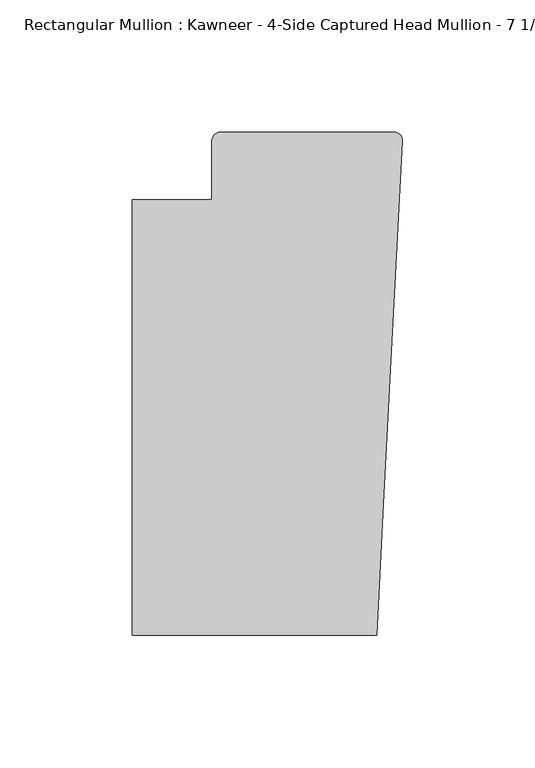
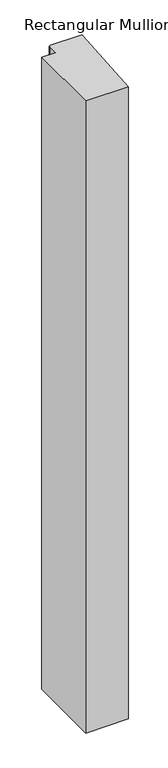
"""IFC4 building model written with IfcOpenShell, lengths in millimetres: member geometry."""

from ifc_helpers import new_model, si_unit, frame, origin, place, context, project, spatial, circle_curve, source, transform, mapped, element, save
from ifc_brep_helpers import plane_surface, cylinder_surface, advanced_brep


def member_9aba365c(model_context):
    return source(origin(), model_context, "Body", "AdvancedBrep", [
        advanced_brep(
        [(-9.7860662, -151.892, 0.0), (-6.9873394, -98.4891117, 0.0), (-0.0041105, 34.7588278, 0.0), (-3.175, 38.0999944, 0.0), (-68.798975, 38.0999944, 0.0), (-71.9739395, 34.9099677, 0.0), (-71.9739395, 12.7, 0.0), (-102.08978, 12.7, 0.0), (-102.08978, -151.892, 0.0), (-9.7860662, -151.892, -1446.6651679), (-102.08978, -151.892, -1446.6651679), (-102.08978, 12.7, -1446.6651679), (-71.9739395, 12.7, -1446.6651679), (-71.9739395, 34.9099677, -1446.6651679), (-68.798975, 38.0999944, -1446.6651679), (-3.175, 38.0999944, -1446.6651679), (-0.006635, 34.7198406, -1446.6651679), (-6.9873394, -98.4891117, -1446.6651679)],
        [
            (0, 1),
            (1, 2),
            (2, 3, circle_curve(frame((-3.175, 34.9249944, 0.0), z_axis=(0.0, 0.0, 1.0), x_axis=(0.0, 1.0, 0.0)), 3.175)),
            (3, 4),
            (4, 5, circle_curve(frame((-68.798975, 34.9249944, 0.0), z_axis=(0.0, 0.0, 1.0), x_axis=(-0.9999888001458095, -0.004732819766726053, 0.0)), 3.175)),
            (5, 6),
            (6, 7),
            (7, 8),
            (8, 0),
            (9, 10),
            (10, 11),
            (11, 12),
            (12, 13),
            (13, 14, circle_curve(frame((-68.798975, 34.9249944, -1446.6651679), z_axis=(0.0, 0.0, -1.0), x_axis=(-0.9999888001458095, -0.004732819766726053, 0.0)), 3.175)),
            (14, 15),
            (15, 16, circle_curve(frame((-3.175, 34.9249944, -1446.6651679), z_axis=(0.0, 0.0, -1.0), x_axis=(0.0, 1.0, 0.0)), 3.175)),
            (16, 17),
            (17, 9),
            (0, 9),
            (17, 1),
            (16, 2),
            (15, 3),
            (14, 4),
            (13, 5),
            (12, 6),
            (11, 7),
            (10, 8),
        ],
        [
            plane_surface(frame((0.0, -183.0123025, 0.0), z_axis=(0.0, 0.0, 1.0), x_axis=(-1.0, 0.0, 0.0))),
            plane_surface(frame((0.0, -183.0123025, -1446.6651679), z_axis=(0.0, 0.0, -1.0), x_axis=(-1.0, 0.0, 0.0))),
            plane_surface(frame((-9.7860662, -151.892, 0.0), z_axis=(0.9986295347545738, -0.052335956242944896, 0.0), x_axis=(0.0, 0.0, -1.0))),
            plane_surface(frame((-6.9873394, -98.4891117, 0.0), z_axis=(0.9986295346400468, -0.05233595842825238, 0.0), x_axis=(0.0, 0.0, -1.0))),
            cylinder_surface(frame((-3.175, 34.9249944, 0.0), z_axis=(0.0, 0.0, 1.0), x_axis=(0.0, 1.0, 0.0)), 3.175),
            plane_surface(frame((-3.175, 38.0999944, 0.0), z_axis=(0.0, 1.0, 0.0), x_axis=(0.0, 0.0, -1.0))),
            cylinder_surface(frame((-68.798975, 34.9249944, 0.0), z_axis=(0.0, 0.0, 1.0), x_axis=(-0.9999888001458095, -0.004732819766726053, 0.0)), 3.175),
            plane_surface(frame((-71.9739395, 34.9099677, 0.0), z_axis=(-1.0, 0.0, 0.0), x_axis=(0.0, 0.0, -1.0))),
            plane_surface(frame((-71.9739395, 12.7, 0.0), z_axis=(0.0, 1.0, 0.0), x_axis=(0.0, 0.0, -1.0))),
            plane_surface(frame((-102.08978, 12.7, 0.0), z_axis=(-1.0, 0.0, 0.0), x_axis=(0.0, 0.0, -1.0))),
            plane_surface(frame((-102.08978, -151.892, 0.0), z_axis=(0.0, -1.0, 0.0), x_axis=(0.0, 0.0, -1.0))),
        ],
        [
            (0, [[1, 2, 3, 4, 5, 6, 7, 8, 9]]),
            (1, [[10, 11, 12, 13, 14, 15, 16, 17, 18]]),
            (2, [[-1, 19, -18, 20]]),
            (3, [[-2, -20, -17, 21]]),
            (4, [[-3, -21, -16, 22]]),
            (5, [[-4, -22, -15, 23]]),
            (6, [[-5, -23, -14, 24]]),
            (7, [[-6, -24, -13, 25]]),
            (8, [[-7, -25, -12, 26]]),
            (9, [[-8, -26, -11, 27]]),
            (10, [[-9, -27, -10, -19]]),
        ],
    ),
    ])


if __name__ == "__main__":
    model = new_model("IFC4")
    model_context = context("Model", 3, world=origin())
    ifc_project = project(units=[si_unit("LENGTHUNIT", "METRE", prefix="MILLI")], contexts=[model_context])
    site = spatial("IfcSite", under=ifc_project)
    building = spatial("IfcBuilding", under=site)
    placement = place(None, origin())
    member_shape = member_9aba365c(model_context)
    element("IfcMember", 1, ObjectType="Rectangular Mullion : Kawneer - 4-Side Captured Head Mullion - 7 1/2\"", at=placement, inside=building, context=model_context, shape_type="MappedRepresentation", body=[
        mapped(member_shape, transform((0.0, 0.0, 0.0), x_axis=(1.0, 0.0, 0.0), y_axis=(0.0, 1.0, 0.0), z_axis=(0.0, 0.0, 1.0))),
    ])
    save(model, "model.ifc")
